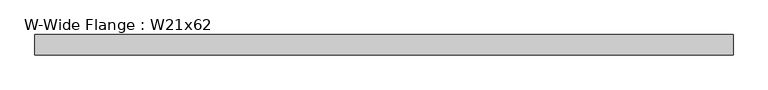
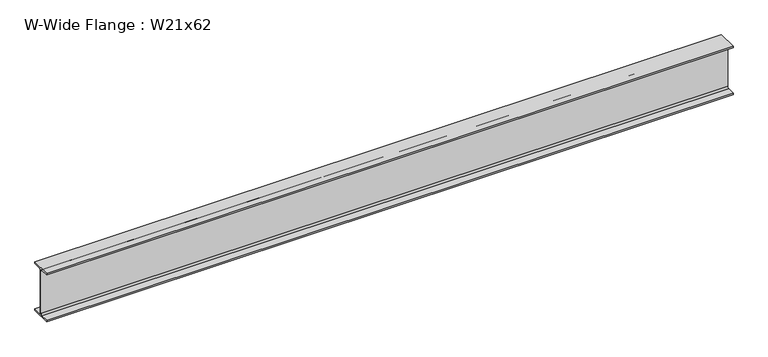
"""IFC4 building model written with IfcOpenShell, lengths in millimetres: beam geometry, W-Wide Flange : W21x62."""

from ifc_helpers import new_model, si_unit, point, frame, frame_2d, origin, place, context, project, spatial, polyline, circle_curve, trimmed, segment, composite_curve, outline, extrude, source, transform, mapped, element, save


def w_wide_flange_w21x62_1ff4c2fd(model_context):
    return source(origin(), model_context, "Body", "SweptSolid", [
        extrude(outline(composite_curve([segment(polyline([(104.648, -251.079), (104.648, -266.7), (-104.648, -266.7), (-104.648, -251.079), (-22.7965, -251.079)]), True, "CONTINUOUS"), segment(trimmed(circle_curve(frame_2d((-22.7965, -233.3625)), 17.7165), [point((-22.7965, -251.079))], [point((-5.08, -233.3625))], True, "CARTESIAN"), True, "CONTINUOUS"), segment(polyline([(-5.08, -233.3625), (-5.08, 233.3625)]), True, "CONTINUOUS"), segment(trimmed(circle_curve(frame_2d((-22.7965, 233.3625)), 17.7165), [point((-5.08, 233.3625))], [point((-22.7965, 251.079))], True, "CARTESIAN"), True, "CONTINUOUS"), segment(polyline([(-22.7965, 251.079), (-104.648, 251.079), (-104.648, 266.7), (104.648, 266.7), (104.648, 251.079), (22.7965, 251.079)]), True, "CONTINUOUS"), segment(trimmed(circle_curve(frame_2d((22.7965, 233.3625)), 17.7165), [point((22.7965, 251.079))], [point((5.08, 233.3625))], True, "CARTESIAN"), True, "CONTINUOUS"), segment(polyline([(5.08, 233.3625), (5.08, -233.3625)]), True, "CONTINUOUS"), segment(trimmed(circle_curve(frame_2d((22.7965, -233.3625)), 17.7165), [point((5.08, -233.3625))], [point((22.7965, -251.079))], True, "CARTESIAN"), True, "CONTINUOUS"), segment(polyline([(22.7965, -251.079), (104.648, -251.079)]), True, "CONTINUOUS")], self_intersect=False)), frame((-3639.566, 0.0, 0.0), z_axis=(1.0, 0.0, 0.0), x_axis=(0.0, 1.0, 0.0)), (0.0, 0.0, 1.0), 7154.926),
    ])


if __name__ == "__main__":
    model = new_model("IFC4")
    model_context = context("Model", 3, world=origin())
    ifc_project = project(units=[si_unit("LENGTHUNIT", "METRE", prefix="MILLI")], contexts=[model_context])
    site = spatial("IfcSite", under=ifc_project)
    building = spatial("IfcBuilding", under=site)
    placement = place(None, origin())
    w_wide_flange_w21x62_shape = w_wide_flange_w21x62_1ff4c2fd(model_context)
    element("IfcBeam", 1, ObjectType="W-Wide Flange : W21x62", at=placement, inside=building, context=model_context, shape_type="MappedRepresentation", body=[
        mapped(w_wide_flange_w21x62_shape, transform((0.0, 0.0, 0.0), x_axis=(1.0, 0.0, 0.0), y_axis=(0.0, 1.0, 0.0), z_axis=(0.0, 0.0, 1.0))),
    ])
    save(model, "model.ifc")
